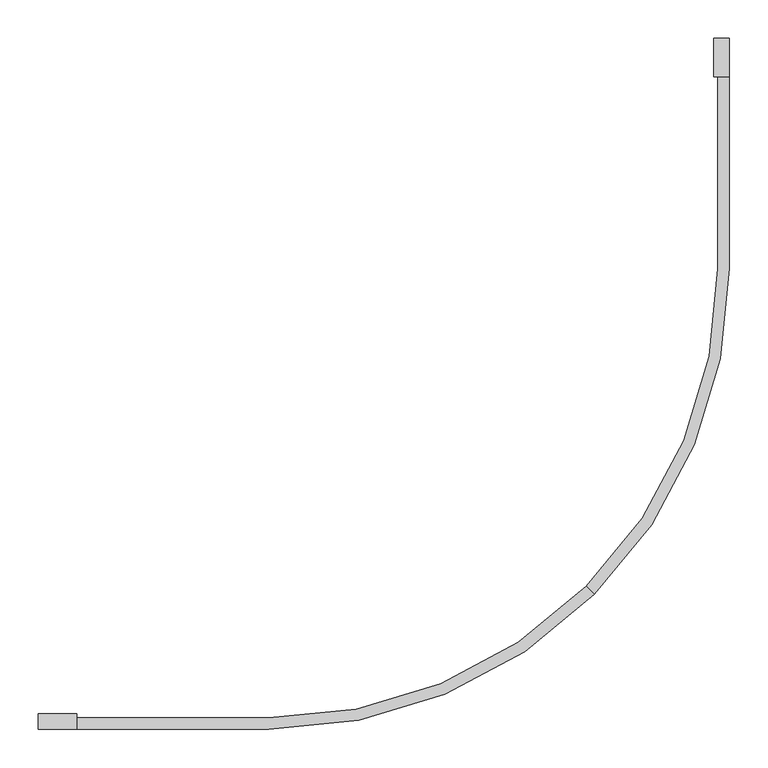
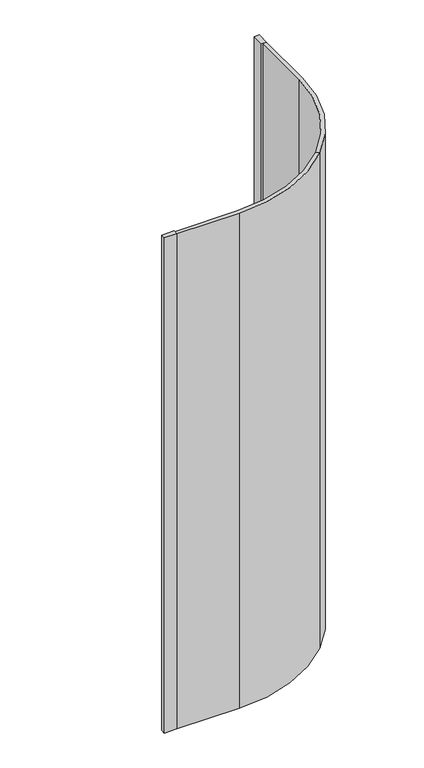
"""IFC4 building model written with IfcOpenShell, lengths in millimetres: flow terminal geometry."""

import ifcopenshell
import ifcopenshell.guid

model = None  # the IFC model being written
_history = None  # IfcOwnerHistory: only IFC2X3 demands one
_inside = {}  # id of a spatial element -> (the spatial element, [elements in it])
_under = {}  # id of a project, library or spatial element -> (it, [spatial elements below it])
_declared = {}  # id of a project -> (the project, [libraries it declares])
_typed = {}  # id of a type object -> (the type object, [elements of that type])
_made_of = {}  # id of a material, layer set ... -> (it, [elements and type objects made of it])


def new_model(schema):
    """Start an empty IFC model of exactly this schema.

    Asked for "IFC4X3", IfcOpenShell would pick the latest addendum, in which some entities
    have other attributes; the version numbers below select the first issue.
    IFC2X3 requires an IfcOwnerHistory on every rooted entity: one is made here for all.
    """
    global model, _history
    if schema == "IFC4X3":
        model = ifcopenshell.file(schema_version=(4, 3, 0, 0))
    else:
        model = ifcopenshell.file(schema=schema)
    _inside.clear()
    _under.clear()
    _declared.clear()
    _typed.clear()
    _made_of.clear()
    _history = None
    if model.schema == "IFC2X3":
        org = make("IfcOrganization", Name="unknown")
        user = make(
            "IfcPersonAndOrganization",
            ThePerson=make("IfcPerson", FamilyName="unknown"),
            TheOrganization=org,
        )
        app = make(
            "IfcApplication",
            ApplicationDeveloper=org,
            Version="unknown",
            ApplicationFullName="unknown",
            ApplicationIdentifier="unknown",
        )
        _history = make(
            "IfcOwnerHistory",
            OwningUser=user,
            OwningApplication=app,
            ChangeAction="ADDED",
            CreationDate=0,
        )
    return model


def make(cls, **values):
    """One entity of the class cls with the attributes given. An attribute that is None is left unset."""
    return model.create_entity(
        cls, **{name: value for name, value in values.items() if value is not None}
    )


def rooted(cls, **values):
    """An entity with a GlobalId (a new one), such as an element, a storey or a relation."""
    return make(cls, GlobalId=ifcopenshell.guid.new(), OwnerHistory=_history, **values)


def si_unit(unit_type, name, prefix=None):
    """IfcSIUnit, for example si_unit("LENGTHUNIT", "METRE", prefix="MILLI")."""
    return make("IfcSIUnit", UnitType=unit_type, Prefix=prefix, Name=name)


def assignment(units):
    """IfcUnitAssignment: the units of a project."""
    return None if units is None else make("IfcUnitAssignment", Units=units)


def point(xyz):
    """IfcCartesianPoint."""
    return None if xyz is None else make("IfcCartesianPoint", Coordinates=xyz)


def direction(xyz):
    """IfcDirection."""
    return None if xyz is None else make("IfcDirection", DirectionRatios=xyz)


def frame(location, z_axis=None, x_axis=None):
    """IfcAxis2Placement3D, a coordinate frame: its origin and axes. An axis left out is left unset."""
    return make(
        "IfcAxis2Placement3D",
        Location=point(location),
        Axis=direction(z_axis),
        RefDirection=direction(x_axis),
    )


def frame_2d(location, x_axis=None):
    """IfcAxis2Placement2D, a coordinate frame in the plane: its origin and x axis."""
    return make(
        "IfcAxis2Placement2D", Location=point(location), RefDirection=direction(x_axis)
    )


def origin():
    """The frame at (0, 0, 0) with its axes left unset."""
    return frame((0.0, 0.0, 0.0))


def origin_with_axes():
    """The frame at (0, 0, 0) with the z axis (0, 0, 1) and the x axis (1, 0, 0) written out."""
    return frame((0.0, 0.0, 0.0), z_axis=(0.0, 0.0, 1.0), x_axis=(1.0, 0.0, 0.0))


def place(relative_to, where):
    """IfcLocalPlacement: puts the frame where relative to a parent placement (None: the world)."""
    return make(
        "IfcLocalPlacement", PlacementRelTo=relative_to, RelativePlacement=where
    )


def context(
    kind, dimensions, precision=None, world=None, true_north=None, identifier=None
):
    """IfcGeometricRepresentationContext, for example the 3D "Model" context."""
    return make(
        "IfcGeometricRepresentationContext",
        ContextIdentifier=identifier,
        ContextType=kind,
        CoordinateSpaceDimension=dimensions,
        Precision=precision,
        WorldCoordinateSystem=world,
        TrueNorth=true_north,
    )


def project(units=None, contexts=None):
    """IfcProject with its units and contexts."""
    return rooted(
        "IfcProject",
        Name="project",
        RepresentationContexts=contexts,
        UnitsInContext=assignment(units),
    )


def spatial(cls, under=None, at=None, **own):
    """A site, building, storey or space (cls), placed at a placement, below another one or the project."""
    s = rooted(cls, ObjectPlacement=at, **own)
    if under is not None:
        _under.setdefault(under.id(), (under, []))[1].append(s)
    return s


def polyline(points):
    """IfcPolyline through the points."""
    return make("IfcPolyline", Points=[point(p) for p in points])


def circle_curve(where, radius):
    """IfcCircle in the frame where."""
    return make("IfcCircle", Position=where, Radius=radius)


def trimmed(basis, trim1, trim2, sense, master):
    """IfcTrimmedCurve: the piece of a basis curve between two trims."""
    return make(
        "IfcTrimmedCurve",
        BasisCurve=basis,
        Trim1=trim1,
        Trim2=trim2,
        SenseAgreement=sense,
        MasterRepresentation=master,
    )


def segment(curve, same_sense, transition):
    """IfcCompositeCurveSegment."""
    return make(
        "IfcCompositeCurveSegment",
        Transition=transition,
        SameSense=same_sense,
        ParentCurve=curve,
    )


def composite_curve(segments, self_intersect=None):
    """IfcCompositeCurve: segments joined end to end."""
    return make("IfcCompositeCurve", Segments=segments, SelfIntersect=self_intersect)


def outline(outer, holes=None, kind="AREA"):
    """IfcArbitraryClosedProfileDef: a profile drawn as a closed curve; with holes, ...WithVoids."""
    if holes is None:
        return make("IfcArbitraryClosedProfileDef", ProfileType=kind, OuterCurve=outer)
    return make(
        "IfcArbitraryProfileDefWithVoids",
        ProfileType=kind,
        OuterCurve=outer,
        InnerCurves=holes,
    )


def extrude(swept, where, along, depth):
    """IfcExtrudedAreaSolid: the profile swept, set in the frame where, extruded along a direction by depth."""
    return make(
        "IfcExtrudedAreaSolid",
        SweptArea=swept,
        Position=where,
        ExtrudedDirection=direction(along),
        Depth=depth,
    )


def shape(context_of_items, identifier, shape_type, items):
    """IfcShapeRepresentation: the items that make up one representation, for example the "Body"."""
    return make(
        "IfcShapeRepresentation",
        ContextOfItems=context_of_items,
        RepresentationIdentifier=identifier,
        RepresentationType=shape_type,
        Items=items,
    )


def source(mapping_origin, context_of_items, identifier, shape_type, items):
    """IfcRepresentationMap: a shape defined once, which mapped items show again and again."""
    return make(
        "IfcRepresentationMap",
        MappingOrigin=mapping_origin,
        MappedRepresentation=shape(context_of_items, identifier, shape_type, items),
    )


def transform(
    local_origin,
    x_axis=None,
    y_axis=None,
    z_axis=None,
    scale=None,
    scale2=None,
    scale3=None,
    uniform=True,
):
    """IfcCartesianTransformationOperator3D, or its non-uniform kind. x_axis, y_axis, z_axis: its Axis1, 2, 3."""
    if uniform:
        return make(
            "IfcCartesianTransformationOperator3D",
            Axis1=direction(x_axis),
            Axis2=direction(y_axis),
            LocalOrigin=point(local_origin),
            Scale=scale,
            Axis3=direction(z_axis),
        )
    return make(
        "IfcCartesianTransformationOperator3DnonUniform",
        Axis1=direction(x_axis),
        Axis2=direction(y_axis),
        LocalOrigin=point(local_origin),
        Scale=scale,
        Axis3=direction(z_axis),
        Scale2=scale2,
        Scale3=scale3,
    )


def mapped(mapping_source, mapping_target):
    """IfcMappedItem: shows the shape of a source again, moved by a transform."""
    return make(
        "IfcMappedItem", MappingSource=mapping_source, MappingTarget=mapping_target
    )


def made_of(thing, what):
    """Note that an element or type object is made of a material, layer set ...; save() writes the relation."""
    if what is not None:
        _made_of.setdefault(what.id(), (what, []))[1].append(thing)
    return thing


def element(
    cls,
    number,
    at=None,
    inside=None,
    cuts=None,
    type_object=None,
    material=None,
    context=None,
    identifier="Body",
    shape_type=None,
    held_by="IfcProductDefinitionShape",
    body=None,
    shapes=None,
    **own,
):
    """One element of the class cls, such as IfcWall. Its Tag is "e" and its number.

    at: its placement. inside: the storey or other place that contains it. cuts: it is an
    opening in that element (IfcRelVoidsElement). A single representation is given by context,
    identifier, shape_type and body (its items); several are given by shapes. held_by: the class
    of the entity that holds the representations. save() writes the other relations.
    """
    e = rooted(cls, Tag="e%d" % number, ObjectPlacement=at, **own)
    if body is not None:
        shapes = [shape(context, identifier, shape_type, body)]
    if shapes is not None:
        e.Representation = make(held_by, Representations=shapes)
    if inside is not None:
        _inside.setdefault(inside.id(), (inside, []))[1].append(e)
    if cuts is not None:
        rooted(
            "IfcRelVoidsElement", RelatingBuildingElement=cuts, RelatedOpeningElement=e
        )
    if type_object is not None:
        _typed.setdefault(type_object.id(), (type_object, []))[1].append(e)
    return made_of(e, material)


def aggregate(whole, parts):
    """IfcRelAggregates: a whole, such as a stair, and the parts it consists of."""
    return rooted("IfcRelAggregates", RelatingObject=whole, RelatedObjects=parts)


def save(model, path):
    """Write the relations noted so far, then the file.

    IfcRelAggregates (storeys below a building ...), IfcRelContainedInSpatialStructure (elements
    in a storey), IfcRelDefinesByType, IfcRelAssociatesMaterial and IfcRelDeclares: one each for
    every whole, place, type object, material and project.
    """
    for whole, parts in _under.values():
        aggregate(whole, parts)
    for where, things in _inside.values():
        rooted(
            "IfcRelContainedInSpatialStructure",
            RelatedElements=things,
            RelatingStructure=where,
        )
    for kind, things in _typed.values():
        rooted("IfcRelDefinesByType", RelatedObjects=things, RelatingType=kind)
    for what, things in _made_of.values():
        rooted("IfcRelAssociatesMaterial", RelatedObjects=things, RelatingMaterial=what)
    for by, libraries in _declared.values():
        rooted("IfcRelDeclares", RelatingContext=by, RelatedDefinitions=libraries)
    model.write(path)


def flow_terminal_7417919c(model_context):
    return source(origin(), model_context, "Body", "SweptSolid", [
        extrude(outline(polyline([(880.0, 0.0), (900.0, 0.0), (900.0, -50.0), (880.0, -50.0), (880.0, 0.0)])), origin_with_axes(), (0.0, 0.0, 1.0), 2100.0),
        extrude(outline(polyline([(50.0, -900.0), (0.0, -900.0), (0.0, -880.0), (50.0, -880.0), (50.0, -900.0)])), origin_with_axes(), (0.0, 0.0, 1.0), 2100.0),
        extrude(outline(composite_curve([segment(trimmed(circle_curve(frame_2d((300.0, -300.0)), 600.0), [point((724.2640687, -724.2640687))], [point((300.0, -900.0))], False, "CARTESIAN"), True, "CONTINUOUS"), segment(polyline([(300.0, -900.0), (50.0, -900.0), (50.0, -885.0), (300.0, -885.0)]), True, "CONTINUOUS"), segment(trimmed(circle_curve(frame_2d((300.0, -300.0)), 585.0), [point((300.0, -885.0))], [point((713.657467, -713.657467))], True, "CARTESIAN"), True, "CONTINUOUS"), segment(polyline([(713.657467, -713.657467), (724.2640687, -724.2640687)]), True, "CONTINUOUS")], self_intersect=False)), origin_with_axes(), (0.0, 0.0, 1.0), 2100.0),
        extrude(outline(composite_curve([segment(polyline([(724.2640687, -724.2640687), (713.657467, -713.657467)]), True, "CONTINUOUS"), segment(trimmed(circle_curve(frame_2d((300.0, -300.0)), 585.0), [point((713.657467, -713.657467))], [point((885.0, -300.0))], True, "CARTESIAN"), True, "CONTINUOUS"), segment(polyline([(885.0, -300.0), (885.0, -50.0), (900.0, -50.0), (900.0, -300.0)]), True, "CONTINUOUS"), segment(trimmed(circle_curve(frame_2d((300.0, -300.0)), 600.0), [point((900.0, -300.0))], [point((724.2640687, -724.2640687))], False, "CARTESIAN"), True, "CONTINUOUS")], self_intersect=False)), origin_with_axes(), (0.0, 0.0, 1.0), 2100.0),
    ])


if __name__ == "__main__":
    model = new_model("IFC4")
    model_context = context("Model", 3, world=origin())
    ifc_project = project(units=[si_unit("LENGTHUNIT", "METRE", prefix="MILLI")], contexts=[model_context])
    site = spatial("IfcSite", under=ifc_project)
    building = spatial("IfcBuilding", under=site)
    placement = place(None, origin())
    flow_terminal_shape = flow_terminal_7417919c(model_context)
    element("IfcFlowTerminal", 1, at=placement, inside=building, context=model_context, shape_type="MappedRepresentation", body=[
        mapped(flow_terminal_shape, transform((0.0, 0.0, 0.0), x_axis=(1.0, 0.0, 0.0), y_axis=(0.0, 1.0, 0.0), z_axis=(0.0, 0.0, 1.0))),
    ])
    save(model, "model.ifc")
